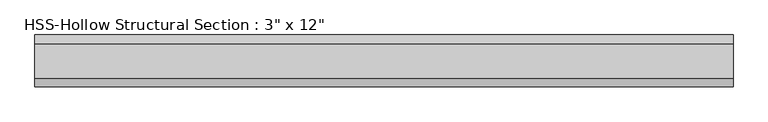
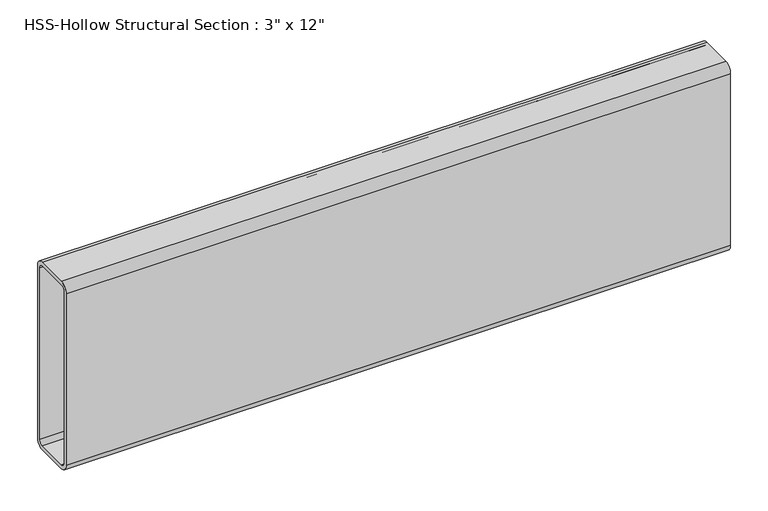
"""IFC4 building model written with IfcOpenShell, lengths in millimetres: beam geometry."""

from ifc_helpers import new_model, si_unit, point, frame, frame_2d, origin, place, context, project, spatial, polyline, circle_curve, trimmed, segment, composite_curve, outline, extrude, source, transform, mapped, element, save


def beam_b727bff2(model_context):
    return source(origin(), model_context, "Body", "SweptSolid", [
        extrude(outline(composite_curve([segment(polyline([(38.1, 139.7), (38.1, -139.7)]), True, "CONTINUOUS"), segment(trimmed(circle_curve(frame_2d((25.4, -139.7)), 12.7), [point((38.1, -139.7))], [point((25.4, -152.4))], False, "CARTESIAN"), True, "CONTINUOUS"), segment(polyline([(25.4, -152.4), (-25.4, -152.4)]), True, "CONTINUOUS"), segment(trimmed(circle_curve(frame_2d((-25.4, -139.7)), 12.7), [point((-25.4, -152.4))], [point((-38.1, -139.7))], False, "CARTESIAN"), True, "CONTINUOUS"), segment(polyline([(-38.1, -139.7), (-38.1, 139.7)]), True, "CONTINUOUS"), segment(trimmed(circle_curve(frame_2d((-25.4, 139.7)), 12.7), [point((-38.1, 139.7))], [point((-25.4, 152.4))], False, "CARTESIAN"), True, "CONTINUOUS"), segment(polyline([(-25.4, 152.4), (25.4, 152.4)]), True, "CONTINUOUS"), segment(trimmed(circle_curve(frame_2d((25.4, 139.7)), 12.7), [point((25.4, 152.4))], [point((38.1, 139.7))], False, "CARTESIAN"), True, "CONTINUOUS")], self_intersect=False), holes=[composite_curve([segment(trimmed(circle_curve(frame_2d((-25.4, 139.7)), 6.35), [point((-25.4, 146.05))], [point((-31.75, 139.7))], True, "CARTESIAN"), True, "CONTINUOUS"), segment(polyline([(-31.75, 139.7), (-31.75, -139.7)]), True, "CONTINUOUS"), segment(trimmed(circle_curve(frame_2d((-25.4, -139.7)), 6.35), [point((-31.75, -139.7))], [point((-25.4, -146.05))], True, "CARTESIAN"), True, "CONTINUOUS"), segment(polyline([(-25.4, -146.05), (25.4, -146.05)]), True, "CONTINUOUS"), segment(trimmed(circle_curve(frame_2d((25.4, -139.7)), 6.35), [point((25.4, -146.05))], [point((31.75, -139.7))], True, "CARTESIAN"), True, "CONTINUOUS"), segment(polyline([(31.75, -139.7), (31.75, 139.7)]), True, "CONTINUOUS"), segment(trimmed(circle_curve(frame_2d((25.4, 139.7)), 6.35), [point((31.75, 139.7))], [point((25.4, 146.05))], True, "CARTESIAN"), True, "CONTINUOUS"), segment(polyline([(25.4, 146.05), (-25.4, 146.05)]), True, "CONTINUOUS")], self_intersect=False)]), frame((-511.2360603, 0.0, 0.0), z_axis=(1.0, 0.0, 0.0), x_axis=(0.0, 1.0, 0.0)), (0.0, 0.0, 1.0), 1022.4721206),
    ])


if __name__ == "__main__":
    model = new_model("IFC4")
    model_context = context("Model", 3, world=origin())
    ifc_project = project(units=[si_unit("LENGTHUNIT", "METRE", prefix="MILLI")], contexts=[model_context])
    site = spatial("IfcSite", under=ifc_project)
    building = spatial("IfcBuilding", under=site)
    placement = place(None, origin())
    beam_shape = beam_b727bff2(model_context)
    element("IfcBeam", 1, ObjectType="HSS-Hollow Structural Section : 3\" x 12\"", at=placement, inside=building, context=model_context, shape_type="MappedRepresentation", body=[
        mapped(beam_shape, transform((0.0, 0.0, 0.0), x_axis=(1.0, 0.0, 0.0), y_axis=(0.0, 1.0, 0.0), z_axis=(0.0, 0.0, 1.0))),
    ])
    save(model, "model.ifc")
